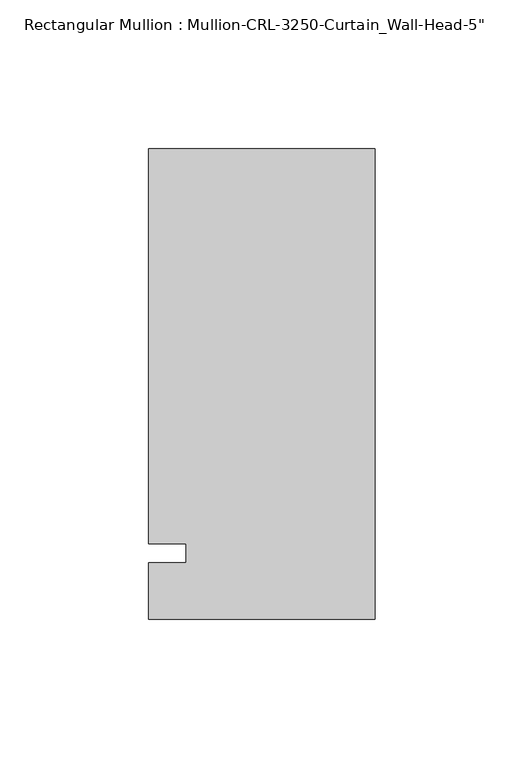
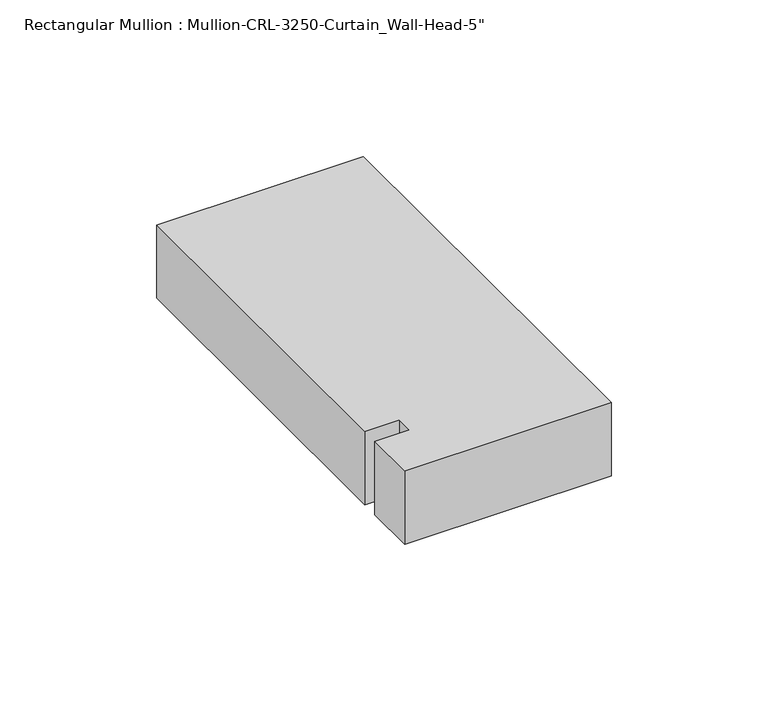
"""IFC4 building model written with IfcOpenShell, lengths in millimetres: member geometry."""

from ifc_helpers import new_model, si_unit, frame, origin, place, context, project, spatial, polyline, outline, extrude, source, transform, mapped, element, save


def member_e0fca17d(model_context):
    return source(origin(), model_context, "Body", "SweptSolid", [
        extrude(outline(polyline([(0.0, -22.2254168), (-76.199997, -22.2254168), (-76.199997, -3.175), (-63.499997, -3.175), (-63.499997, 3.175), (-76.199997, 3.175), (-76.199997, 136.0164463), (0.0, 136.0164463), (0.0, -22.2254168)])), frame((0.0, 0.0, -28.576861), z_axis=(0.0, 0.0, 1.0), x_axis=(1.0, 0.0, 0.0)), (0.0, 0.0, 1.0), 28.576861),
    ])


if __name__ == "__main__":
    model = new_model("IFC4")
    model_context = context("Model", 3, world=origin())
    ifc_project = project(units=[si_unit("LENGTHUNIT", "METRE", prefix="MILLI")], contexts=[model_context])
    site = spatial("IfcSite", under=ifc_project)
    building = spatial("IfcBuilding", under=site)
    placement = place(None, origin())
    member_shape = member_e0fca17d(model_context)
    element("IfcMember", 1, ObjectType="Rectangular Mullion : Mullion-CRL-3250-Curtain_Wall-Head-5\"", at=placement, inside=building, context=model_context, shape_type="MappedRepresentation", body=[
        mapped(member_shape, transform((0.0, 0.0, 0.0), x_axis=(1.0, 0.0, 0.0), y_axis=(0.0, 1.0, 0.0), z_axis=(0.0, 0.0, 1.0))),
    ])
    save(model, "model.ifc")
